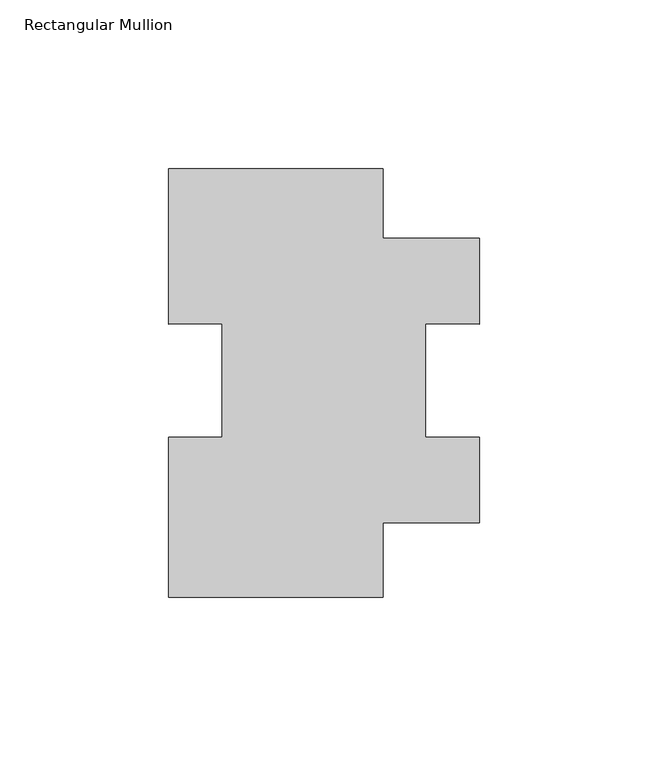
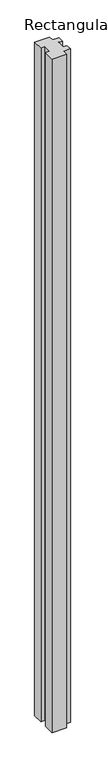
"""IFC4 building model written with IfcOpenShell, lengths in millimetres: member geometry, Rectangular Mullion."""

from ifc_helpers import new_model, si_unit, frame, origin, place, context, project, spatial, polyline, outline, extrude, source, transform, mapped, element, save


def rectangular_mullion_0e8e0ef6(model_context):
    return source(origin(), model_context, "Body", "SweptSolid", [
        extrude(outline(polyline([(-92.0750835, 62.6980386), (-28.5751068, 62.6980386), (-28.5751068, 42.14943), (0.0, 42.14943), (0.0, 16.5890394), (-15.875, 16.7830886), (-15.875, -16.8422346), (0.0, -16.8422346), (0.0, -42.17857), (-28.5751068, -42.17857), (-28.5751068, -64.3019614), (-92.0750835, -64.3019614), (-92.0750835, -16.8417234), (-76.2000835, -16.8417234), (-76.2000835, 16.7830886), (-92.0750835, 16.5890394), (-92.0750835, 62.6980386)])), frame((0.0, 0.0, -3048.0), z_axis=(0.0, 0.0, 1.0), x_axis=(1.0, 0.0, 0.0)), (0.0, 0.0, 1.0), 3048.0),
    ])


if __name__ == "__main__":
    model = new_model("IFC4")
    model_context = context("Model", 3, world=origin())
    ifc_project = project(units=[si_unit("LENGTHUNIT", "METRE", prefix="MILLI")], contexts=[model_context])
    site = spatial("IfcSite", under=ifc_project)
    building = spatial("IfcBuilding", under=site)
    placement = place(None, origin())
    rectangular_mullion_shape = rectangular_mullion_0e8e0ef6(model_context)
    element("IfcMember", 1, ObjectType="Rectangular Mullion", at=placement, inside=building, context=model_context, shape_type="MappedRepresentation", body=[
        mapped(rectangular_mullion_shape, transform((0.0, 0.0, 0.0), x_axis=(1.0, 0.0, 0.0), y_axis=(0.0, 1.0, 0.0), z_axis=(0.0, 0.0, 1.0))),
    ])
    save(model, "model.ifc")
